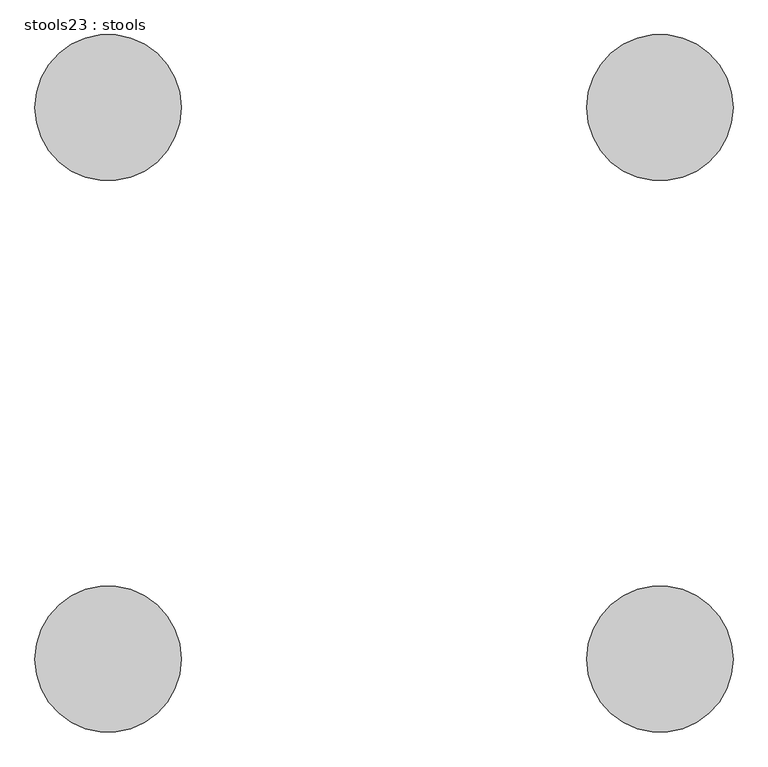
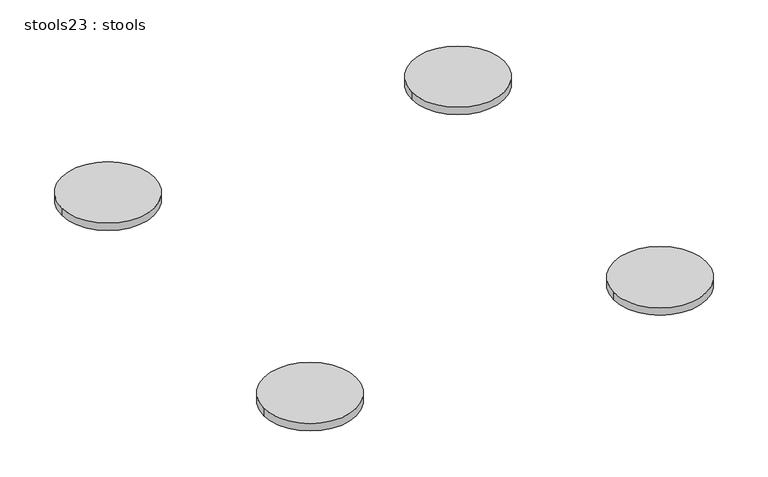
"""IFC4 building model written with IfcOpenShell, lengths in millimetres: furniture geometry, stools23 : stools."""

from ifc_helpers import new_model, si_unit, point, frame, frame_2d, origin, place, context, project, spatial, circle_curve, trimmed, segment, composite_curve, outline, extrude, source, transform, mapped, element, save


def stools23_stools_289dc3c4(model_context):
    return source(origin(), model_context, "Body", "SweptSolid", [
        extrude(outline(composite_curve([segment(trimmed(circle_curve(frame_2d((2905.9650671, 22652.1684851)), 152.4), [point((2753.5650671, 22652.1684851))], [point((3058.3650671, 22652.1684851))], False, "CARTESIAN"), True, "CONTINUOUS"), segment(trimmed(circle_curve(frame_2d((2905.9650671, 22652.1684851)), 152.4), [point((3058.3650671, 22652.1684851))], [point((2753.5650671, 22652.1684851))], False, "CARTESIAN"), True, "CONTINUOUS")], self_intersect=False)), frame((0.0, 0.0, 457.2), z_axis=(0.0, 0.0, 1.0), x_axis=(1.0, 0.0, 0.0)), (0.0, 0.0, 1.0), 25.4),
        extrude(outline(composite_curve([segment(trimmed(circle_curve(frame_2d((2905.9650671, 21502.6957016)), 152.4), [point((2753.5650671, 21502.6957016))], [point((3058.3650671, 21502.6957016))], False, "CARTESIAN"), True, "CONTINUOUS"), segment(trimmed(circle_curve(frame_2d((2905.9650671, 21502.6957016)), 152.4), [point((3058.3650671, 21502.6957016))], [point((2753.5650671, 21502.6957016))], False, "CARTESIAN"), True, "CONTINUOUS")], self_intersect=False)), frame((0.0, 0.0, 457.2), z_axis=(0.0, 0.0, 1.0), x_axis=(1.0, 0.0, 0.0)), (0.0, 0.0, 1.0), 25.4),
        extrude(outline(composite_curve([segment(trimmed(circle_curve(frame_2d((1756.4922836, 22652.1684851)), 152.4), [point((1908.8922836, 22652.1684851))], [point((1604.0922836, 22652.1684851))], False, "CARTESIAN"), True, "CONTINUOUS"), segment(trimmed(circle_curve(frame_2d((1756.4922836, 22652.1684851)), 152.4), [point((1604.0922836, 22652.1684851))], [point((1908.8922836, 22652.1684851))], False, "CARTESIAN"), True, "CONTINUOUS")], self_intersect=False)), frame((0.0, 0.0, 457.2), z_axis=(0.0, 0.0, 1.0), x_axis=(1.0, 0.0, 0.0)), (0.0, 0.0, 1.0), 25.4),
        extrude(outline(composite_curve([segment(trimmed(circle_curve(frame_2d((1756.4922836, 21502.6957016)), 152.4), [point((1908.8922836, 21502.6957016))], [point((1604.0922836, 21502.6957016))], False, "CARTESIAN"), True, "CONTINUOUS"), segment(trimmed(circle_curve(frame_2d((1756.4922836, 21502.6957016)), 152.4), [point((1604.0922836, 21502.6957016))], [point((1908.8922836, 21502.6957016))], False, "CARTESIAN"), True, "CONTINUOUS")], self_intersect=False)), frame((0.0, 0.0, 457.2), z_axis=(0.0, 0.0, 1.0), x_axis=(1.0, 0.0, 0.0)), (0.0, 0.0, 1.0), 25.4),
    ])


if __name__ == "__main__":
    model = new_model("IFC4")
    model_context = context("Model", 3, world=origin())
    ifc_project = project(units=[si_unit("LENGTHUNIT", "METRE", prefix="MILLI")], contexts=[model_context])
    site = spatial("IfcSite", under=ifc_project)
    building = spatial("IfcBuilding", under=site)
    placement = place(None, origin())
    stools23_stools_shape = stools23_stools_289dc3c4(model_context)
    element("IfcFurniture", 1, ObjectType="stools23 : stools", at=placement, inside=building, context=model_context, shape_type="MappedRepresentation", body=[
        mapped(stools23_stools_shape, transform((0.0, 0.0, 0.0), x_axis=(1.0, 0.0, 0.0), y_axis=(0.0, 1.0, 0.0), z_axis=(0.0, 0.0, 1.0))),
    ])
    save(model, "model.ifc")
